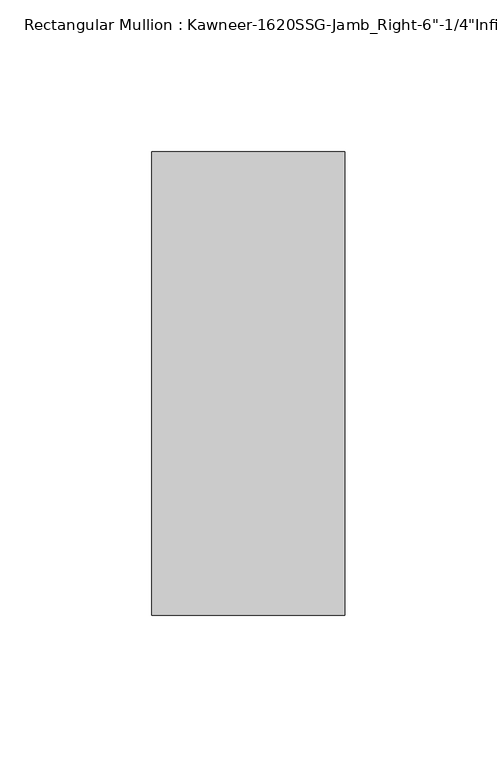
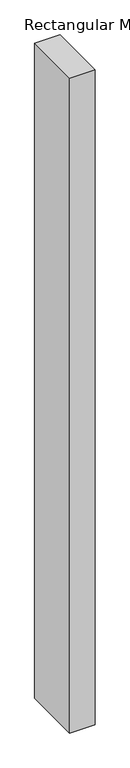
"""IFC4 building model written with IfcOpenShell, lengths in millimetres: member geometry."""

from ifc_helpers import new_model, si_unit, frame, origin, place, context, project, spatial, polyline, outline, extrude, source, transform, mapped, element, save


def member_d8bf709d(model_context):
    return source(origin(), model_context, "Body", "SweptSolid", [
        extrude(outline(polyline([(-22.225, 28.575), (41.275, 28.575), (41.275, -123.825), (-22.225, -123.825), (-22.225, 28.575)])), frame((0.0, 0.0, -1739.9), z_axis=(0.0, 0.0, 1.0), x_axis=(1.0, 0.0, 0.0)), (0.0, 0.0, 1.0), 1739.9),
    ])


if __name__ == "__main__":
    model = new_model("IFC4")
    model_context = context("Model", 3, world=origin())
    ifc_project = project(units=[si_unit("LENGTHUNIT", "METRE", prefix="MILLI")], contexts=[model_context])
    site = spatial("IfcSite", under=ifc_project)
    building = spatial("IfcBuilding", under=site)
    placement = place(None, origin())
    member_shape = member_d8bf709d(model_context)
    element("IfcMember", 1, ObjectType="Rectangular Mullion : Kawneer-1620SSG-Jamb_Right-6\"-1/4\"Infill", at=placement, inside=building, context=model_context, shape_type="MappedRepresentation", body=[
        mapped(member_shape, transform((0.0, 0.0, 0.0), x_axis=(1.0, 0.0, 0.0), y_axis=(0.0, 1.0, 0.0), z_axis=(0.0, 0.0, 1.0))),
    ])
    save(model, "model.ifc")
